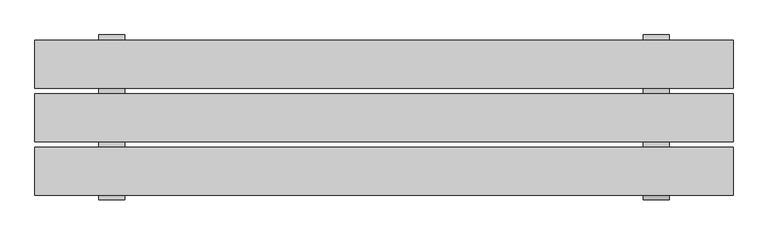
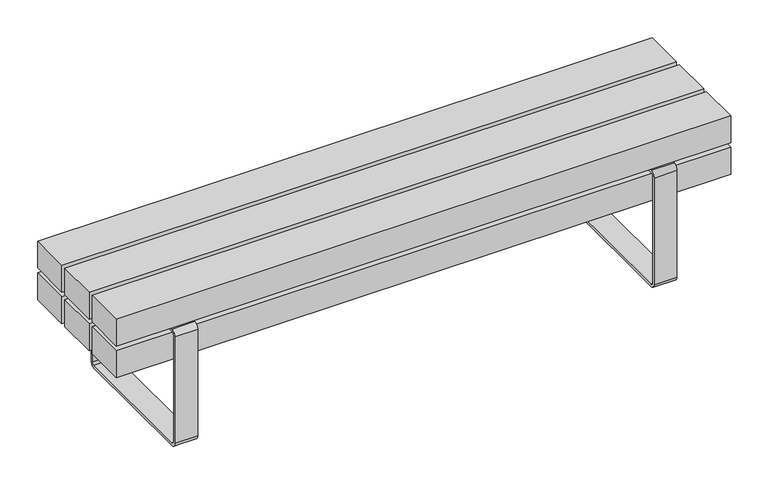
"""IFC4 building model written with IfcOpenShell, lengths in millimetres: furniture geometry."""

from ifc_helpers import new_model, si_unit, point, frame, frame_2d, origin, place, context, project, spatial, polyline, circle_curve, trimmed, segment, composite_curve, outline, extrude, source, transform, mapped, element, save


def furniture_48e6f485(model_context):
    return source(origin(), model_context, "Body", "SweptSolid", [
        extrude(outline(composite_curve([segment(polyline([(198.4124417, 0.0), (-196.5875583, 0.0)]), True, "CONTINUOUS"), segment(trimmed(circle_curve(frame_2d((-196.5875583, 15.0)), 15.0), [point((-196.5875583, 0.0))], [point((-211.5875583, 15.0))], False, "CARTESIAN"), True, "CONTINUOUS"), segment(polyline([(-211.5875583, 15.0), (-211.5875583, 345.3217453)]), True, "CONTINUOUS"), segment(trimmed(circle_curve(frame_2d((-196.5875583, 345.3217453)), 15.0), [point((-211.5875583, 345.3217453))], [point((-196.5875583, 360.3217453))], False, "CARTESIAN"), True, "CONTINUOUS"), segment(polyline([(-196.5875583, 360.3217453), (198.4124417, 360.3217453)]), True, "CONTINUOUS"), segment(trimmed(circle_curve(frame_2d((198.4124417, 345.3217453)), 15.0), [point((198.4124417, 360.3217453))], [point((213.4124417, 345.3217453))], False, "CARTESIAN"), True, "CONTINUOUS"), segment(polyline([(213.4124417, 345.3217453), (213.4124417, 15.0)]), True, "CONTINUOUS"), segment(trimmed(circle_curve(frame_2d((198.4124417, 15.0)), 15.0), [point((213.4124417, 15.0))], [point((198.4124417, 0.0))], False, "CARTESIAN"), True, "CONTINUOUS")], self_intersect=False), holes=[composite_curve([segment(trimmed(circle_curve(frame_2d((-196.5875583, 15.0)), 6.5), [point((-203.0875583, 15.0))], [point((-196.5875583, 8.5))], True, "CARTESIAN"), True, "CONTINUOUS"), segment(polyline([(-196.5875583, 8.5), (198.4124417, 8.5)]), True, "CONTINUOUS"), segment(trimmed(circle_curve(frame_2d((198.4124417, 15.0)), 6.5), [point((198.4124417, 8.5))], [point((204.9124417, 15.0))], True, "CARTESIAN"), True, "CONTINUOUS"), segment(polyline([(204.9124417, 15.0), (204.9124417, 345.3217453)]), True, "CONTINUOUS"), segment(trimmed(circle_curve(frame_2d((198.4124417, 345.3217453)), 6.5), [point((204.9124417, 345.3217453))], [point((198.4124417, 351.8217453))], True, "CARTESIAN"), True, "CONTINUOUS"), segment(polyline([(198.4124417, 351.8217453), (-196.5875583, 351.8217453)]), True, "CONTINUOUS"), segment(trimmed(circle_curve(frame_2d((-196.5875583, 345.3217453)), 6.5), [point((-196.5875583, 351.8217453))], [point((-203.0875583, 345.3217453))], True, "CARTESIAN"), True, "CONTINUOUS"), segment(polyline([(-203.0875583, 345.3217453), (-203.0875583, 15.0)]), True, "CONTINUOUS")], self_intersect=False)]), frame((668.5975006, 0.0, 0.0), z_axis=(1.0, 0.0, 0.0), x_axis=(0.0, 1.0, 0.0)), (0.0, 0.0, 1.0), 67.040596),
        extrude(outline(composite_curve([segment(polyline([(198.4124417, 0.0), (-196.5875583, 0.0)]), True, "CONTINUOUS"), segment(trimmed(circle_curve(frame_2d((-196.5875583, 15.0)), 15.0), [point((-196.5875583, 0.0))], [point((-211.5875583, 15.0))], False, "CARTESIAN"), True, "CONTINUOUS"), segment(polyline([(-211.5875583, 15.0), (-211.5875583, 345.3217453)]), True, "CONTINUOUS"), segment(trimmed(circle_curve(frame_2d((-196.5875583, 345.3217453)), 15.0), [point((-211.5875583, 345.3217453))], [point((-196.5875583, 360.3217453))], False, "CARTESIAN"), True, "CONTINUOUS"), segment(polyline([(-196.5875583, 360.3217453), (198.4124417, 360.3217453)]), True, "CONTINUOUS"), segment(trimmed(circle_curve(frame_2d((198.4124417, 345.3217453)), 15.0), [point((198.4124417, 360.3217453))], [point((213.4124417, 345.3217453))], False, "CARTESIAN"), True, "CONTINUOUS"), segment(polyline([(213.4124417, 345.3217453), (213.4124417, 15.0)]), True, "CONTINUOUS"), segment(trimmed(circle_curve(frame_2d((198.4124417, 15.0)), 15.0), [point((213.4124417, 15.0))], [point((198.4124417, 0.0))], False, "CARTESIAN"), True, "CONTINUOUS")], self_intersect=False), holes=[composite_curve([segment(trimmed(circle_curve(frame_2d((-196.5875583, 15.0)), 6.5), [point((-203.0875583, 15.0))], [point((-196.5875583, 8.5))], True, "CARTESIAN"), True, "CONTINUOUS"), segment(polyline([(-196.5875583, 8.5), (198.4124417, 8.5)]), True, "CONTINUOUS"), segment(trimmed(circle_curve(frame_2d((198.4124417, 15.0)), 6.5), [point((198.4124417, 8.5))], [point((204.9124417, 15.0))], True, "CARTESIAN"), True, "CONTINUOUS"), segment(polyline([(204.9124417, 15.0), (204.9124417, 345.3217453)]), True, "CONTINUOUS"), segment(trimmed(circle_curve(frame_2d((198.4124417, 345.3217453)), 6.5), [point((204.9124417, 345.3217453))], [point((198.4124417, 351.8217453))], True, "CARTESIAN"), True, "CONTINUOUS"), segment(polyline([(198.4124417, 351.8217453), (-196.5875583, 351.8217453)]), True, "CONTINUOUS"), segment(trimmed(circle_curve(frame_2d((-196.5875583, 345.3217453)), 6.5), [point((-196.5875583, 351.8217453))], [point((-203.0875583, 345.3217453))], True, "CARTESIAN"), True, "CONTINUOUS"), segment(polyline([(-203.0875583, 345.3217453), (-203.0875583, 15.0)]), True, "CONTINUOUS")], self_intersect=False)]), frame((-735.6380966, 0.0, 0.0), z_axis=(1.0, 0.0, 0.0), x_axis=(0.0, 1.0, 0.0)), (0.0, 0.0, 1.0), 67.040596),
        extrude(outline(polyline([(351.8217453, 900.0000373), (351.8217453, -900.0), (268.7167987, -900.0), (268.7167987, 900.0000373), (351.8217453, 900.0000373)]), holes=[polyline([(339.8217453, -888.0), (339.8217453, 888.0), (280.7167987, 888.0), (280.7167987, -888.0), (339.8217453, -888.0)])]), frame((0.0, -61.5000218, 0.0), z_axis=(0.0, 1.0, 0.0), x_axis=(0.0, 0.0, 1.0)), (0.0, 0.0, 1.0), 123.0000435),
        extrude(outline(polyline([(900.0, -76.5174894), (900.0, -199.5174894), (-900.0, -199.5174894), (-900.0, -76.5174894), (900.0, -76.5174894)])), frame((0.0, 0.0, 366.8258682), z_axis=(0.0, 0.0, 1.0), x_axis=(1.0, 0.0, 0.0)), (0.0, 0.0, 1.0), 83.1049466),
        extrude(outline(polyline([(900.0, 61.4888479), (900.0, -61.5111521), (-900.0, -61.5111521), (-900.0, 61.4888479), (900.0, 61.4888479)])), frame((0.0, 0.0, 366.8258682), z_axis=(0.0, 0.0, 1.0), x_axis=(1.0, 0.0, 0.0)), (0.0, 0.0, 1.0), 83.1049466),
        extrude(outline(polyline([(900.0, 199.4999782), (900.0, 76.4999782), (-900.0, 76.4999782), (-900.0, 199.4999782), (900.0, 199.4999782)])), frame((0.0, 0.0, 366.8258682), z_axis=(0.0, 0.0, 1.0), x_axis=(1.0, 0.0, 0.0)), (0.0, 0.0, 1.0), 83.1049466),
        extrude(outline(polyline([(900.0, -76.5174894), (900.0, -199.5174894), (-900.0, -199.5174894), (-900.0, -76.5174894), (900.0, -76.5174894)])), frame((0.0, 0.0, 268.7167987), z_axis=(0.0, 0.0, 1.0), x_axis=(1.0, 0.0, 0.0)), (0.0, 0.0, 1.0), 83.1049466),
        extrude(outline(polyline([(900.0, 199.4999782), (900.0, 76.4999782), (-900.0, 76.4999782), (-900.0, 199.4999782), (900.0, 199.4999782)])), frame((0.0, 0.0, 268.7167987), z_axis=(0.0, 0.0, 1.0), x_axis=(1.0, 0.0, 0.0)), (0.0, 0.0, 1.0), 83.1049466),
        extrude(outline(polyline([(735.4649994, -171.2111197), (668.4244034, -171.2111197), (668.4244034, 168.7288553), (735.4649994, 168.7288553), (735.4649994, -171.2111197)])), frame((0.0, 0.0, 351.8217453), z_axis=(0.0, 0.0, 1.0), x_axis=(1.0, 0.0, 0.0)), (0.0, 0.0, 1.0), 15.004123),
        extrude(outline(polyline([(-668.5975006, -171.2111197), (-735.6380966, -171.2111197), (-735.6380966, 168.7288553), (-668.5975006, 168.7288553), (-668.5975006, -171.2111197)])), frame((0.0, 0.0, 351.8217453), z_axis=(0.0, 0.0, 1.0), x_axis=(1.0, 0.0, 0.0)), (0.0, 0.0, 1.0), 15.004123),
    ])


if __name__ == "__main__":
    model = new_model("IFC4")
    model_context = context("Model", 3, world=origin())
    ifc_project = project(units=[si_unit("LENGTHUNIT", "METRE", prefix="MILLI")], contexts=[model_context])
    site = spatial("IfcSite", under=ifc_project)
    building = spatial("IfcBuilding", under=site)
    placement = place(None, origin())
    furniture_shape = furniture_48e6f485(model_context)
    element("IfcFurniture", 1, at=placement, inside=building, context=model_context, shape_type="MappedRepresentation", body=[
        mapped(furniture_shape, transform((0.0, 0.0, 0.0), x_axis=(1.0, 0.0, 0.0), y_axis=(0.0, 1.0, 0.0), z_axis=(0.0, 0.0, 1.0))),
    ])
    save(model, "model.ifc")
